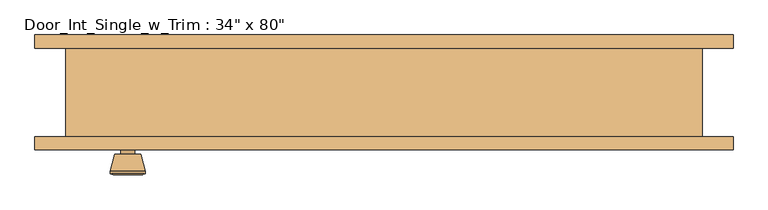
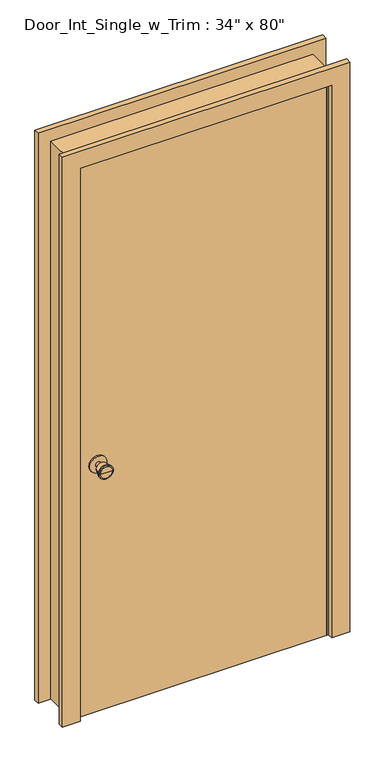
"""IFC4 building model written with IfcOpenShell, lengths in millimetres: door geometry."""

from ifc_helpers import new_model, si_unit, point, frame, frame_2d, origin, origin_with_axes, place, context, project, spatial, polyline, circle_curve, trimmed, segment, composite_curve, outline, extrude, faceted_brep, source, transform, mapped, element, save
from ifc_brep_helpers import plane_surface, cylinder_surface, revolved_surface, advanced_brep


def door_395dcfb9(model_context):
    return source(origin(), model_context, "Body", "SolidModel", [
        advanced_brep(
        [(-368.3, -19.4, 914.4), (-378.3, -19.4, 914.4), (-358.3, -19.4, 914.4), (-347.8241324, 29.6, 914.4), (-388.7758676, 29.6, 914.4), (-368.3, 29.6, 914.4), (-343.3, 27.7721319, 914.4), (-393.3, 27.7721319, 914.4), (-343.3, 24.3084537, 914.4), (-393.3, 24.3084537, 914.4), (-349.663764, -0.4, 914.4), (-386.936236, -0.4, 914.4), (-358.3, -0.4, 914.4), (-378.3, -0.4, 914.4)],
        [
            (0, 1),
            (1, 2, circle_curve(frame((-368.3, -19.4, 914.4), z_axis=(0.0, -1.0, 0.0), x_axis=(-1.0, 0.0, 0.0)), 10.0)),
            (2, 0),
            (2, 1, circle_curve(frame((-368.3, -19.4, 914.4), z_axis=(0.0, -1.0, 0.0), x_axis=(-1.0, 0.0, 0.0)), 10.0)),
            (3, 4, circle_curve(frame((-368.3, 29.6, 914.4), z_axis=(0.0, 1.0, 0.0), x_axis=(-1.0, 0.0, 0.0)), 20.4758676)),
            (4, 5),
            (5, 3),
            (4, 3, circle_curve(frame((-368.3, 29.6, 914.4), z_axis=(0.0, 1.0, 0.0), x_axis=(-1.0, 0.0, 0.0)), 20.4758676)),
            (6, 7, circle_curve(frame((-368.3, 27.7721319, 914.4), z_axis=(0.0, 1.0, 0.0), x_axis=(-1.0, 0.0, 0.0)), 25.0)),
            (7, 4),
            (3, 6),
            (7, 6, circle_curve(frame((-368.3, 27.7721319, 914.4), z_axis=(0.0, 1.0, 0.0), x_axis=(-1.0, 0.0, 0.0)), 25.0)),
            (8, 9, circle_curve(frame((-368.3, 24.3084537, 914.4), z_axis=(0.0, 1.0, 0.0), x_axis=(-1.0, 0.0, 0.0)), 25.0)),
            (9, 7),
            (6, 8),
            (9, 8, circle_curve(frame((-368.3, 24.3084537, 914.4), z_axis=(0.0, 1.0, 0.0), x_axis=(-1.0, 0.0, 0.0)), 25.0)),
            (10, 11, circle_curve(frame((-368.3, -0.4, 914.4), z_axis=(0.0, 1.0, 0.0), x_axis=(-1.0, 0.0, 0.0)), 18.636236)),
            (11, 9),
            (8, 10),
            (11, 10, circle_curve(frame((-368.3, -0.4, 914.4), z_axis=(0.0, 1.0, 0.0), x_axis=(-1.0, 0.0, 0.0)), 18.636236)),
            (12, 13, circle_curve(frame((-368.3, -0.4, 914.4), z_axis=(0.0, 1.0, 0.0), x_axis=(-1.0, 0.0, 0.0)), 10.0)),
            (13, 11),
            (10, 12),
            (13, 12, circle_curve(frame((-368.3, -0.4, 914.4), z_axis=(0.0, 1.0, 0.0), x_axis=(-1.0, 0.0, 0.0)), 10.0)),
            (1, 13),
            (12, 2),
        ],
        [
            plane_surface(frame((-368.3, -19.4, 914.4), z_axis=(0.0, -1.0, 0.0), x_axis=(-1.0, 0.0, 0.0))),
            plane_surface(frame((-368.3, 29.6, 914.4), z_axis=(0.0, 1.0, 0.0), x_axis=(-1.0, 0.0, 0.0))),
            revolved_surface(polyline([(-388.7758676, 29.6, 914.4), (-393.3, 27.7721319, 914.4)]), (-368.3, -19.4, 914.4), (0.0, -1.0, 0.0)),
            cylinder_surface(frame((-368.3, -19.4, 914.4), z_axis=(0.0, -1.0, 0.0), x_axis=(-1.0, 0.0, 0.0)), 25.0),
            revolved_surface(polyline([(-393.3, 24.3084537, 914.4), (-386.936236, -0.4, 914.4)]), (-368.3, -19.4, 914.4), (0.0, -1.0, 0.0)),
            plane_surface(frame((-368.3, -0.4, 914.4), z_axis=(0.0, -1.0, 0.0), x_axis=(-1.0, 0.0, 0.0))),
            cylinder_surface(frame((-368.3, -19.4, 914.4), z_axis=(0.0, -1.0, 0.0), x_axis=(-1.0, 0.0, 0.0)), 10.0),
        ],
        [
            (0, [[1, 2, 3]]),
            (0, [[-3, 4, -1]]),
            (1, [[5, 6, 7]]),
            (1, [[8, -7, -6]]),
            (2, [[9, 10, -5, 11]]),
            (2, [[12, -11, -8, -10]]),
            (3, [[13, 14, -9, 15]]),
            (3, [[16, -15, -12, -14]]),
            (4, [[17, 18, -13, 19]]),
            (4, [[20, -19, -16, -18]]),
            (5, [[21, 22, -17, 23]]),
            (5, [[24, -23, -20, -22]]),
            (6, [[-2, 25, -21, 26]]),
            (6, [[-4, -26, -24, -25]]),
        ],
    ),
        extrude(outline(composite_curve([segment(trimmed(circle_curve(frame_2d((914.4, -368.3)), 30.0), [point((914.4, -398.3))], [point((914.4, -338.3))], False, "CARTESIAN"), True, "CONTINUOUS"), segment(trimmed(circle_curve(frame_2d((914.4, -368.3)), 30.0), [point((914.4, -338.3))], [point((914.4, -398.3))], False, "CARTESIAN"), True, "CONTINUOUS")], self_intersect=False)), frame((0.0, -25.4, 0.0), z_axis=(0.0, 1.0, 0.0), x_axis=(0.0, 0.0, 1.0)), (0.0, 0.0, 1.0), 6.0),
        advanced_brep(
        [(-368.3, -66.325, 914.4), (-358.3, -66.325, 914.4), (-378.3, -66.325, 914.4), (-347.8241324, -115.325, 914.4), (-368.3, -115.325, 914.4), (-388.7758676, -115.325, 914.4), (-343.3, -113.4971319, 914.4), (-393.3, -113.4971319, 914.4), (-343.3, -110.0334537, 914.4), (-393.3, -110.0334537, 914.4), (-349.663764, -85.325, 914.4), (-386.936236, -85.325, 914.4), (-358.3, -85.325, 914.4), (-378.3, -85.325, 914.4)],
        [
            (0, 1),
            (1, 2, circle_curve(frame((-368.3, -66.325, 914.4), z_axis=(0.0, 1.0, 0.0), x_axis=(-1.0, 0.0, 0.0)), 10.0)),
            (2, 0),
            (2, 1, circle_curve(frame((-368.3, -66.325, 914.4), z_axis=(0.0, 1.0, 0.0), x_axis=(-1.0, 0.0, 0.0)), 10.0)),
            (3, 4),
            (4, 5),
            (5, 3, circle_curve(frame((-368.3, -115.325, 914.4), z_axis=(0.0, -1.0, 0.0), x_axis=(-1.0, 0.0, 0.0)), 20.4758676)),
            (3, 5, circle_curve(frame((-368.3, -115.325, 914.4), z_axis=(0.0, -1.0, 0.0), x_axis=(-1.0, 0.0, 0.0)), 20.4758676)),
            (6, 3),
            (5, 7),
            (7, 6, circle_curve(frame((-368.3, -113.4971319, 914.4), z_axis=(0.0, -1.0, 0.0), x_axis=(-1.0, 0.0, 0.0)), 25.0)),
            (6, 7, circle_curve(frame((-368.3, -113.4971319, 914.4), z_axis=(0.0, -1.0, 0.0), x_axis=(-1.0, 0.0, 0.0)), 25.0)),
            (8, 6),
            (7, 9),
            (9, 8, circle_curve(frame((-368.3, -110.0334537, 914.4), z_axis=(0.0, -1.0, 0.0), x_axis=(-1.0, 0.0, 0.0)), 25.0)),
            (8, 9, circle_curve(frame((-368.3, -110.0334537, 914.4), z_axis=(0.0, -1.0, 0.0), x_axis=(-1.0, 0.0, 0.0)), 25.0)),
            (10, 8),
            (9, 11),
            (11, 10, circle_curve(frame((-368.3, -85.325, 914.4), z_axis=(0.0, -1.0, 0.0), x_axis=(-1.0, 0.0, 0.0)), 18.636236)),
            (10, 11, circle_curve(frame((-368.3, -85.325, 914.4), z_axis=(0.0, -1.0, 0.0), x_axis=(-1.0, 0.0, 0.0)), 18.636236)),
            (12, 10),
            (11, 13),
            (13, 12, circle_curve(frame((-368.3, -85.325, 914.4), z_axis=(0.0, -1.0, 0.0), x_axis=(-1.0, 0.0, 0.0)), 10.0)),
            (12, 13, circle_curve(frame((-368.3, -85.325, 914.4), z_axis=(0.0, -1.0, 0.0), x_axis=(-1.0, 0.0, 0.0)), 10.0)),
            (1, 12),
            (13, 2),
        ],
        [
            plane_surface(frame((-368.3, -66.325, 914.4), z_axis=(0.0, 1.0, 0.0), x_axis=(-1.0, 0.0, 0.0))),
            plane_surface(frame((-368.3, -115.325, 914.4), z_axis=(0.0, -1.0, 0.0), x_axis=(-1.0, 0.0, 0.0))),
            revolved_surface(polyline([(-388.7758676, -115.325, 914.4), (-393.3, -113.4971319, 914.4)]), (-368.3, -66.325, 914.4), (0.0, 1.0, 0.0)),
            cylinder_surface(frame((-368.3, -66.325, 914.4), z_axis=(0.0, 1.0, 0.0), x_axis=(-1.0, 0.0, 0.0)), 25.0),
            revolved_surface(polyline([(-393.3, -110.0334537, 914.4), (-386.936236, -85.325, 914.4)]), (-368.3, -66.325, 914.4), (0.0, 1.0, 0.0)),
            plane_surface(frame((-368.3, -85.325, 914.4), z_axis=(0.0, 1.0, 0.0), x_axis=(-1.0, 0.0, 0.0))),
            cylinder_surface(frame((-368.3, -66.325, 914.4), z_axis=(0.0, 1.0, 0.0), x_axis=(-1.0, 0.0, 0.0)), 10.0),
        ],
        [
            (0, [[1, 2, 3]]),
            (0, [[-3, 4, -1]]),
            (1, [[5, 6, 7]]),
            (1, [[-6, -5, 8]]),
            (2, [[9, -7, 10, 11]]),
            (2, [[-10, -8, -9, 12]]),
            (3, [[13, -11, 14, 15]]),
            (3, [[-14, -12, -13, 16]]),
            (4, [[17, -15, 18, 19]]),
            (4, [[-18, -16, -17, 20]]),
            (5, [[21, -19, 22, 23]]),
            (5, [[-22, -20, -21, 24]]),
            (6, [[25, -23, 26, -2]]),
            (6, [[-26, -24, -25, -4]]),
        ],
    ),
        extrude(outline(composite_curve([segment(trimmed(circle_curve(frame_2d((914.4, -368.3)), 30.0), [point((914.4, -398.3))], [point((914.4, -338.3))], False, "CARTESIAN"), True, "CONTINUOUS"), segment(trimmed(circle_curve(frame_2d((914.4, -368.3)), 30.0), [point((914.4, -338.3))], [point((914.4, -398.3))], False, "CARTESIAN"), True, "CONTINUOUS")], self_intersect=False)), frame((0.0, -66.325, 0.0), z_axis=(0.0, 1.0, 0.0), x_axis=(0.0, 0.0, 1.0)), (0.0, 0.0, 1.0), 6.0),
        faceted_brep([(457.2, -60.325, 0.0), (431.8, -60.325, 0.0), (431.8, -25.4, 0.0), (419.1, -25.4, 0.0), (419.1, 9.525, 0.0), (431.8, 9.525, 0.0), (431.8, 66.675, 0.0), (457.2, 66.675, 0.0), (457.2, 66.675, 2057.4), (457.2, -60.325, 2057.4), (431.8, 66.675, 2032.0), (-431.8, 66.675, 2032.0), (-431.8, 66.675, 0.0), (-457.2, 66.675, 0.0), (-457.2, 66.675, 2057.4), (431.8, 9.525, 2032.0), (419.1, 9.525, 2019.3), (-419.1, 9.525, 2019.3), (-419.1, 9.525, 0.0), (-431.8, 9.525, 0.0), (-431.8, 9.525, 2032.0), (419.1, -25.4, 2019.3), (431.8, -25.4, 2032.0), (-431.8, -25.4, 2032.0), (-431.8, -25.4, 0.0), (-419.1, -25.4, 0.0), (-419.1, -25.4, 2019.3), (431.8, -60.325, 2032.0), (-457.2, -60.325, 2057.4), (-457.2, -60.325, 0.0), (-431.8, -60.325, 0.0), (-431.8, -60.325, 2032.0)], [[[0, 1, 2, 3, 4, 5, 6, 7]], [[7, 8, 9, 0]], [[6, 10, 11, 12, 13, 14, 8, 7]], [[5, 15, 10, 6]], [[4, 16, 17, 18, 19, 20, 15, 5]], [[3, 21, 16, 4]], [[2, 22, 23, 24, 25, 26, 21, 3]], [[1, 27, 22, 2]], [[0, 9, 28, 29, 30, 31, 27, 1]], [[8, 14, 28, 9]], [[15, 20, 11, 10]], [[21, 26, 17, 16]], [[27, 31, 23, 22]], [[29, 13, 12, 19, 18, 25, 24, 30]], [[14, 13, 29, 28]], [[20, 19, 12, 11]], [[26, 25, 18, 17]], [[31, 30, 24, 23]]]),
        extrude(outline(polyline([(431.8, -25.4), (431.8, -60.325), (-431.8, -60.325), (-431.8, -25.4), (431.8, -25.4)])), origin_with_axes(), (0.0, 0.0, 1.0), 2032.0),
        extrude(outline(polyline([(0.0, 501.65), (2101.85, 501.65), (2101.85, -501.65), (0.0, -501.65), (0.0, -438.15), (2038.35, -438.15), (2038.35, 438.15), (0.0, 438.15), (0.0, 501.65)])), frame((0.0, -79.375, 0.0), z_axis=(0.0, 1.0, 0.0), x_axis=(0.0, 0.0, 1.0)), (0.0, 0.0, 1.0), 19.05),
        extrude(outline(polyline([(0.0, 501.65), (2101.85, 501.65), (2101.85, -501.65), (0.0, -501.65), (0.0, -438.15), (2038.35, -438.15), (2038.35, 438.15), (0.0, 438.15), (0.0, 501.65)])), frame((0.0, 66.675, 0.0), z_axis=(0.0, 1.0, 0.0), x_axis=(0.0, 0.0, 1.0)), (0.0, 0.0, 1.0), 19.05),
    ])


if __name__ == "__main__":
    model = new_model("IFC4")
    model_context = context("Model", 3, world=origin())
    ifc_project = project(units=[si_unit("LENGTHUNIT", "METRE", prefix="MILLI")], contexts=[model_context])
    site = spatial("IfcSite", under=ifc_project)
    building = spatial("IfcBuilding", under=site)
    placement = place(None, origin())
    door_shape = door_395dcfb9(model_context)
    element("IfcDoor", 1, ObjectType="Door_Int_Single_w_Trim : 34\" x 80\"", at=placement, inside=building, context=model_context, shape_type="MappedRepresentation", body=[
        mapped(door_shape, transform((0.0, 0.0, 0.0), x_axis=(1.0, 0.0, 0.0), y_axis=(0.0, 1.0, 0.0), z_axis=(0.0, 0.0, 1.0))),
    ])
    save(model, "model.ifc")
